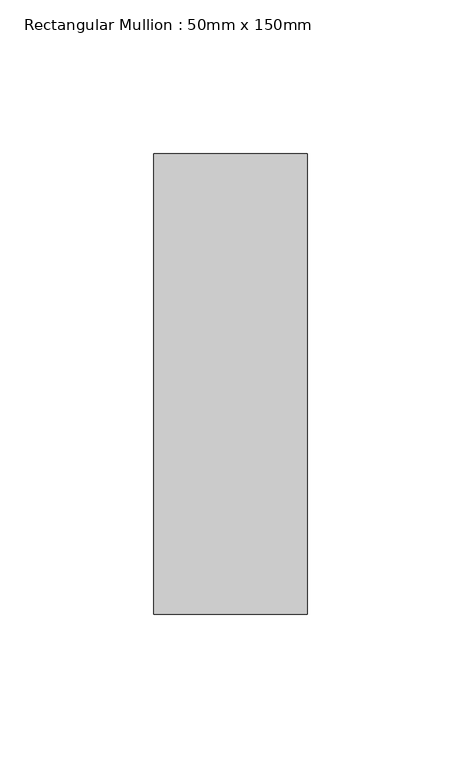
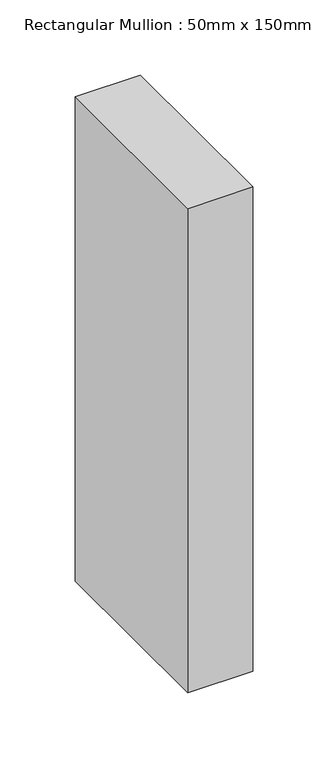
"""IFC4 building model written with IfcOpenShell, lengths in millimetres: member geometry, Rectangular Mullion : 50mm x 150mm."""

import ifcopenshell
import ifcopenshell.guid

model = None  # the IFC model being written
_history = None  # IfcOwnerHistory: only IFC2X3 demands one
_inside = {}  # id of a spatial element -> (the spatial element, [elements in it])
_under = {}  # id of a project, library or spatial element -> (it, [spatial elements below it])
_declared = {}  # id of a project -> (the project, [libraries it declares])
_typed = {}  # id of a type object -> (the type object, [elements of that type])
_made_of = {}  # id of a material, layer set ... -> (it, [elements and type objects made of it])


def new_model(schema):
    """Start an empty IFC model of exactly this schema.

    Asked for "IFC4X3", IfcOpenShell would pick the latest addendum, in which some entities
    have other attributes; the version numbers below select the first issue.
    IFC2X3 requires an IfcOwnerHistory on every rooted entity: one is made here for all.
    """
    global model, _history
    if schema == "IFC4X3":
        model = ifcopenshell.file(schema_version=(4, 3, 0, 0))
    else:
        model = ifcopenshell.file(schema=schema)
    _inside.clear()
    _under.clear()
    _declared.clear()
    _typed.clear()
    _made_of.clear()
    _history = None
    if model.schema == "IFC2X3":
        org = make("IfcOrganization", Name="unknown")
        user = make(
            "IfcPersonAndOrganization",
            ThePerson=make("IfcPerson", FamilyName="unknown"),
            TheOrganization=org,
        )
        app = make(
            "IfcApplication",
            ApplicationDeveloper=org,
            Version="unknown",
            ApplicationFullName="unknown",
            ApplicationIdentifier="unknown",
        )
        _history = make(
            "IfcOwnerHistory",
            OwningUser=user,
            OwningApplication=app,
            ChangeAction="ADDED",
            CreationDate=0,
        )
    return model


def make(cls, **values):
    """One entity of the class cls with the attributes given. An attribute that is None is left unset."""
    return model.create_entity(
        cls, **{name: value for name, value in values.items() if value is not None}
    )


def rooted(cls, **values):
    """An entity with a GlobalId (a new one), such as an element, a storey or a relation."""
    return make(cls, GlobalId=ifcopenshell.guid.new(), OwnerHistory=_history, **values)


def si_unit(unit_type, name, prefix=None):
    """IfcSIUnit, for example si_unit("LENGTHUNIT", "METRE", prefix="MILLI")."""
    return make("IfcSIUnit", UnitType=unit_type, Prefix=prefix, Name=name)


def assignment(units):
    """IfcUnitAssignment: the units of a project."""
    return None if units is None else make("IfcUnitAssignment", Units=units)


def point(xyz):
    """IfcCartesianPoint."""
    return None if xyz is None else make("IfcCartesianPoint", Coordinates=xyz)


def direction(xyz):
    """IfcDirection."""
    return None if xyz is None else make("IfcDirection", DirectionRatios=xyz)


def frame(location, z_axis=None, x_axis=None):
    """IfcAxis2Placement3D, a coordinate frame: its origin and axes. An axis left out is left unset."""
    return make(
        "IfcAxis2Placement3D",
        Location=point(location),
        Axis=direction(z_axis),
        RefDirection=direction(x_axis),
    )


def origin():
    """The frame at (0, 0, 0) with its axes left unset."""
    return frame((0.0, 0.0, 0.0))


def place(relative_to, where):
    """IfcLocalPlacement: puts the frame where relative to a parent placement (None: the world)."""
    return make(
        "IfcLocalPlacement", PlacementRelTo=relative_to, RelativePlacement=where
    )


def context(
    kind, dimensions, precision=None, world=None, true_north=None, identifier=None
):
    """IfcGeometricRepresentationContext, for example the 3D "Model" context."""
    return make(
        "IfcGeometricRepresentationContext",
        ContextIdentifier=identifier,
        ContextType=kind,
        CoordinateSpaceDimension=dimensions,
        Precision=precision,
        WorldCoordinateSystem=world,
        TrueNorth=true_north,
    )


def project(units=None, contexts=None):
    """IfcProject with its units and contexts."""
    return rooted(
        "IfcProject",
        Name="project",
        RepresentationContexts=contexts,
        UnitsInContext=assignment(units),
    )


def spatial(cls, under=None, at=None, **own):
    """A site, building, storey or space (cls), placed at a placement, below another one or the project."""
    s = rooted(cls, ObjectPlacement=at, **own)
    if under is not None:
        _under.setdefault(under.id(), (under, []))[1].append(s)
    return s


def polyline(points):
    """IfcPolyline through the points."""
    return make("IfcPolyline", Points=[point(p) for p in points])


def outline(outer, holes=None, kind="AREA"):
    """IfcArbitraryClosedProfileDef: a profile drawn as a closed curve; with holes, ...WithVoids."""
    if holes is None:
        return make("IfcArbitraryClosedProfileDef", ProfileType=kind, OuterCurve=outer)
    return make(
        "IfcArbitraryProfileDefWithVoids",
        ProfileType=kind,
        OuterCurve=outer,
        InnerCurves=holes,
    )


def extrude(swept, where, along, depth):
    """IfcExtrudedAreaSolid: the profile swept, set in the frame where, extruded along a direction by depth."""
    return make(
        "IfcExtrudedAreaSolid",
        SweptArea=swept,
        Position=where,
        ExtrudedDirection=direction(along),
        Depth=depth,
    )


def shape(context_of_items, identifier, shape_type, items):
    """IfcShapeRepresentation: the items that make up one representation, for example the "Body"."""
    return make(
        "IfcShapeRepresentation",
        ContextOfItems=context_of_items,
        RepresentationIdentifier=identifier,
        RepresentationType=shape_type,
        Items=items,
    )


def source(mapping_origin, context_of_items, identifier, shape_type, items):
    """IfcRepresentationMap: a shape defined once, which mapped items show again and again."""
    return make(
        "IfcRepresentationMap",
        MappingOrigin=mapping_origin,
        MappedRepresentation=shape(context_of_items, identifier, shape_type, items),
    )


def transform(
    local_origin,
    x_axis=None,
    y_axis=None,
    z_axis=None,
    scale=None,
    scale2=None,
    scale3=None,
    uniform=True,
):
    """IfcCartesianTransformationOperator3D, or its non-uniform kind. x_axis, y_axis, z_axis: its Axis1, 2, 3."""
    if uniform:
        return make(
            "IfcCartesianTransformationOperator3D",
            Axis1=direction(x_axis),
            Axis2=direction(y_axis),
            LocalOrigin=point(local_origin),
            Scale=scale,
            Axis3=direction(z_axis),
        )
    return make(
        "IfcCartesianTransformationOperator3DnonUniform",
        Axis1=direction(x_axis),
        Axis2=direction(y_axis),
        LocalOrigin=point(local_origin),
        Scale=scale,
        Axis3=direction(z_axis),
        Scale2=scale2,
        Scale3=scale3,
    )


def mapped(mapping_source, mapping_target):
    """IfcMappedItem: shows the shape of a source again, moved by a transform."""
    return make(
        "IfcMappedItem", MappingSource=mapping_source, MappingTarget=mapping_target
    )


def made_of(thing, what):
    """Note that an element or type object is made of a material, layer set ...; save() writes the relation."""
    if what is not None:
        _made_of.setdefault(what.id(), (what, []))[1].append(thing)
    return thing


def element(
    cls,
    number,
    at=None,
    inside=None,
    cuts=None,
    type_object=None,
    material=None,
    context=None,
    identifier="Body",
    shape_type=None,
    held_by="IfcProductDefinitionShape",
    body=None,
    shapes=None,
    **own,
):
    """One element of the class cls, such as IfcWall. Its Tag is "e" and its number.

    at: its placement. inside: the storey or other place that contains it. cuts: it is an
    opening in that element (IfcRelVoidsElement). A single representation is given by context,
    identifier, shape_type and body (its items); several are given by shapes. held_by: the class
    of the entity that holds the representations. save() writes the other relations.
    """
    e = rooted(cls, Tag="e%d" % number, ObjectPlacement=at, **own)
    if body is not None:
        shapes = [shape(context, identifier, shape_type, body)]
    if shapes is not None:
        e.Representation = make(held_by, Representations=shapes)
    if inside is not None:
        _inside.setdefault(inside.id(), (inside, []))[1].append(e)
    if cuts is not None:
        rooted(
            "IfcRelVoidsElement", RelatingBuildingElement=cuts, RelatedOpeningElement=e
        )
    if type_object is not None:
        _typed.setdefault(type_object.id(), (type_object, []))[1].append(e)
    return made_of(e, material)


def aggregate(whole, parts):
    """IfcRelAggregates: a whole, such as a stair, and the parts it consists of."""
    return rooted("IfcRelAggregates", RelatingObject=whole, RelatedObjects=parts)


def save(model, path):
    """Write the relations noted so far, then the file.

    IfcRelAggregates (storeys below a building ...), IfcRelContainedInSpatialStructure (elements
    in a storey), IfcRelDefinesByType, IfcRelAssociatesMaterial and IfcRelDeclares: one each for
    every whole, place, type object, material and project.
    """
    for whole, parts in _under.values():
        aggregate(whole, parts)
    for where, things in _inside.values():
        rooted(
            "IfcRelContainedInSpatialStructure",
            RelatedElements=things,
            RelatingStructure=where,
        )
    for kind, things in _typed.values():
        rooted("IfcRelDefinesByType", RelatedObjects=things, RelatingType=kind)
    for what, things in _made_of.values():
        rooted("IfcRelAssociatesMaterial", RelatedObjects=things, RelatingMaterial=what)
    for by, libraries in _declared.values():
        rooted("IfcRelDeclares", RelatingContext=by, RelatedDefinitions=libraries)
    model.write(path)


def rectangular_mullion_50mm_x_150mm_a8272972(model_context):
    return source(origin(), model_context, "Body", "SweptSolid", [
        extrude(outline(polyline([(0.0, 75.0), (0.0, -75.0), (-50.0, -75.0), (-50.0, 75.0), (0.0, 75.0)])), frame((0.0, 0.0, -393.7735115), z_axis=(0.0, 0.0, 1.0), x_axis=(1.0, 0.0, 0.0)), (0.0, 0.0, 1.0), 393.7735115),
    ])


if __name__ == "__main__":
    model = new_model("IFC4")
    model_context = context("Model", 3, world=origin())
    ifc_project = project(units=[si_unit("LENGTHUNIT", "METRE", prefix="MILLI")], contexts=[model_context])
    site = spatial("IfcSite", under=ifc_project)
    building = spatial("IfcBuilding", under=site)
    placement = place(None, origin())
    rectangular_mullion_50mm_x_150mm_shape = rectangular_mullion_50mm_x_150mm_a8272972(model_context)
    element("IfcMember", 1, ObjectType="Rectangular Mullion : 50mm x 150mm", at=placement, inside=building, context=model_context, shape_type="MappedRepresentation", body=[
        mapped(rectangular_mullion_50mm_x_150mm_shape, transform((0.0, 0.0, 0.0), x_axis=(1.0, 0.0, 0.0), y_axis=(0.0, 1.0, 0.0), z_axis=(0.0, 0.0, 1.0))),
    ])
    save(model, "model.ifc")
